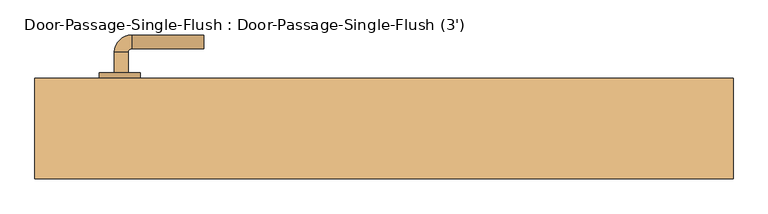
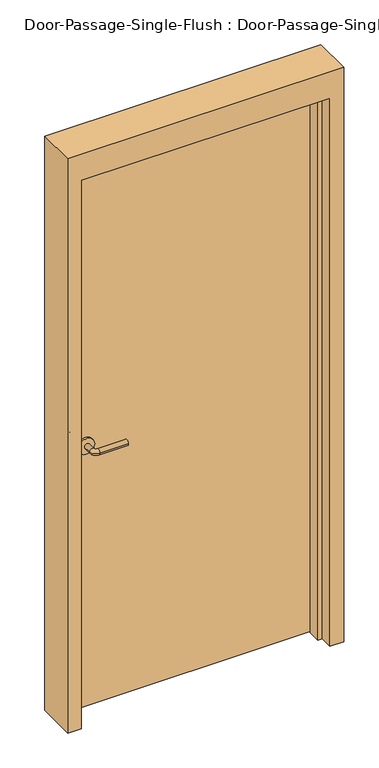
"""IFC4 building model written with IfcOpenShell, lengths in millimetres: door geometry, Door-Passage-Single-Flush : Door-Passage-Single-Flush (3')."""

from ifc_helpers import new_model, si_unit, point, frame, frame_2d, origin, origin_with_axes, place, context, project, spatial, polyline, circle_curve, ellipse_curve, trimmed, segment, composite_curve, outline, extrude, faceted_brep, source, transform, mapped, element, save
from ifc_brep_helpers import plane_surface, cylinder_surface, revolved_surface, advanced_brep


def door_passage_single_flush_door_passage_single_flush_3_4b82438d(model_context):
    return source(origin(), model_context, "Body", "SolidModel", [
        advanced_brep(
        [(-392.190625, -8.0, 1016.0), (-372.190625, -8.0, 1016.0), (-372.190625, -38.0, 1016.0), (-392.190625, -38.0, 1016.0), (-367.190625, -43.0, 1016.0), (-367.190625, -63.0, 1016.0), (-262.190625, -63.0, 1016.0), (-262.190625, -43.0, 1016.0)],
        [
            (0, 1, circle_curve(frame((-382.190625, -8.0, 1016.0), z_axis=(0.0, 1.0, 0.0), x_axis=(1.0, 0.0, 0.0)), 10.0)),
            (1, 0, circle_curve(frame((-382.190625, -8.0, 1016.0), z_axis=(0.0, 1.0, 0.0), x_axis=(1.0, 0.0, 0.0)), 10.0)),
            (1, 2),
            (2, 3, circle_curve(frame((-382.190625, -38.0, 1016.0), z_axis=(0.0, 1.0, 0.0), x_axis=(1.0, 0.0, 0.0)), 10.0)),
            (3, 0),
            (3, 2, circle_curve(frame((-382.190625, -38.0, 1016.0), z_axis=(0.0, 1.0, 0.0), x_axis=(1.0, 0.0, 0.0)), 10.0)),
            (4, 5, circle_curve(frame((-367.190625, -53.0, 1016.0), z_axis=(-1.0, 0.0, 0.0), x_axis=(0.0, 1.0, 0.0)), 10.0)),
            (5, 3, circle_curve(frame((-367.190625, -38.0, 1016.0), z_axis=(0.0, 0.0, -1.0), x_axis=(-1.0, 0.0, 0.0)), 25.0)),
            (2, 4, circle_curve(frame((-367.190625, -38.0, 1016.0), z_axis=(0.0, 0.0, 1.0), x_axis=(-1.0, 0.0, 0.0)), 5.0)),
            (5, 4, circle_curve(frame((-367.190625, -53.0, 1016.0), z_axis=(-1.0, 0.0, 0.0), x_axis=(0.0, 1.0, 0.0)), 10.0)),
            (6, 7, circle_curve(frame((-262.190625, -53.0, 1016.0), z_axis=(1.0, 0.0, 0.0), x_axis=(0.0, 1.0, 0.0)), 10.0)),
            (7, 6, circle_curve(frame((-262.190625, -53.0, 1016.0), z_axis=(1.0, 0.0, 0.0), x_axis=(0.0, 1.0, 0.0)), 10.0)),
            (4, 7),
            (6, 5),
        ],
        [
            plane_surface(frame((-382.190625, -8.0, 1016.0), z_axis=(0.0, 1.0, 0.0), x_axis=(0.0, 0.0, 1.0))),
            cylinder_surface(frame((-382.190625, -8.0, 1016.0), z_axis=(0.0, 1.0, 0.0), x_axis=(1.0, 0.0, 0.0)), 10.0),
            revolved_surface(trimmed(ellipse_curve(frame((-382.190625, -38.0, 1016.0), z_axis=(0.0, -1.0, 0.0), x_axis=(1.0, 0.0, 0.0)), 10.0, 10.0), [point((-392.190625, -38.0, 1016.0))], [point((-372.190625, -38.0, 1016.0))], True, "CARTESIAN"), (-367.190625, -38.0, 1016.0), (0.0, 0.0, -1.0)),
            revolved_surface(trimmed(ellipse_curve(frame((-382.190625, -38.0, 1016.0), z_axis=(0.0, -1.0, 0.0), x_axis=(1.0, 0.0, 0.0)), 10.0, 10.0), [point((-372.190625, -38.0, 1016.0))], [point((-392.190625, -38.0, 1016.0))], True, "CARTESIAN"), (-367.190625, -38.0, 1016.0), (0.0, 0.0, -1.0)),
            plane_surface(frame((-262.190625, -53.0, 1016.0), z_axis=(1.0, 0.0, 0.0), x_axis=(0.0, 0.0, 1.0))),
            cylinder_surface(frame((-367.190625, -53.0, 1016.0), z_axis=(-1.0, 0.0, 0.0), x_axis=(0.0, 1.0, 0.0)), 10.0),
        ],
        [
            (0, [[1, 2]]),
            (1, [[3, 4, 5, -2]]),
            (1, [[-5, 6, -3, -1]]),
            (2, [[7, 8, -4, 9]]),
            (3, [[10, -9, -6, -8]]),
            (4, [[11, 12]]),
            (5, [[13, -11, 14, -7]]),
            (5, [[-14, -12, -13, -10]]),
        ],
    ),
        extrude(outline(composite_curve([segment(trimmed(circle_curve(frame_2d((1016.0, -384.690625)), 30.0), [point((1016.0, -414.690625))], [point((1016.0, -354.690625))], False, "CARTESIAN"), True, "CONTINUOUS"), segment(trimmed(circle_curve(frame_2d((1016.0, -384.690625)), 30.0), [point((1016.0, -354.690625))], [point((1016.0, -414.690625))], False, "CARTESIAN"), True, "CONTINUOUS")], self_intersect=False)), frame((0.0, -8.0, 0.0), z_axis=(0.0, 1.0, 0.0), x_axis=(0.0, 0.0, 1.0)), (0.0, 0.0, 1.0), 8.0),
        advanced_brep(
        [(-392.190625, 52.45, 1016.0), (-372.190625, 52.45, 1016.0), (-392.190625, 82.45, 1016.0), (-372.190625, 82.45, 1016.0), (-367.190625, 87.45, 1016.0), (-367.190625, 107.45, 1016.0), (-262.190625, 107.45, 1016.0), (-262.190625, 87.45, 1016.0)],
        [
            (0, 1, circle_curve(frame((-382.190625, 52.45, 1016.0), z_axis=(0.0, -1.0, 0.0), x_axis=(1.0, 0.0, 0.0)), 10.0)),
            (1, 0, circle_curve(frame((-382.190625, 52.45, 1016.0), z_axis=(0.0, -1.0, 0.0), x_axis=(1.0, 0.0, 0.0)), 10.0)),
            (0, 2),
            (2, 3, circle_curve(frame((-382.190625, 82.45, 1016.0), z_axis=(0.0, -1.0, 0.0), x_axis=(1.0, 0.0, 0.0)), 10.0)),
            (3, 1),
            (3, 2, circle_curve(frame((-382.190625, 82.45, 1016.0), z_axis=(0.0, -1.0, 0.0), x_axis=(1.0, 0.0, 0.0)), 10.0)),
            (4, 3, circle_curve(frame((-367.190625, 82.45, 1016.0), z_axis=(0.0, 0.0, 1.0), x_axis=(-1.0, 0.0, 0.0)), 5.0)),
            (2, 5, circle_curve(frame((-367.190625, 82.45, 1016.0), z_axis=(0.0, 0.0, -1.0), x_axis=(-1.0, 0.0, 0.0)), 25.0)),
            (5, 4, circle_curve(frame((-367.190625, 97.45, 1016.0), z_axis=(-1.0, 0.0, 0.0), x_axis=(0.0, -1.0, 0.0)), 10.0)),
            (4, 5, circle_curve(frame((-367.190625, 97.45, 1016.0), z_axis=(-1.0, 0.0, 0.0), x_axis=(0.0, -1.0, 0.0)), 10.0)),
            (6, 7, circle_curve(frame((-262.190625, 97.45, 1016.0), z_axis=(1.0, 0.0, 0.0), x_axis=(0.0, -1.0, 0.0)), 10.0)),
            (7, 6, circle_curve(frame((-262.190625, 97.45, 1016.0), z_axis=(1.0, 0.0, 0.0), x_axis=(0.0, -1.0, 0.0)), 10.0)),
            (5, 6),
            (7, 4),
        ],
        [
            plane_surface(frame((-382.190625, 52.45, 1016.0), z_axis=(0.0, -1.0, 0.0), x_axis=(0.0, 0.0, 1.0))),
            cylinder_surface(frame((-382.190625, 52.45, 1016.0), z_axis=(0.0, -1.0, 0.0), x_axis=(1.0, 0.0, 0.0)), 10.0),
            revolved_surface(trimmed(ellipse_curve(frame((-382.190625, 82.45, 1016.0), z_axis=(0.0, -1.0, 0.0), x_axis=(1.0, 0.0, 0.0)), 10.0, 10.0), [point((-392.190625, 82.45, 1016.0))], [point((-372.190625, 82.45, 1016.0))], True, "CARTESIAN"), (-367.190625, 82.45, 1016.0), (0.0, 0.0, -1.0)),
            revolved_surface(trimmed(ellipse_curve(frame((-382.190625, 82.45, 1016.0), z_axis=(0.0, -1.0, 0.0), x_axis=(1.0, 0.0, 0.0)), 10.0, 10.0), [point((-372.190625, 82.45, 1016.0))], [point((-392.190625, 82.45, 1016.0))], True, "CARTESIAN"), (-367.190625, 82.45, 1016.0), (0.0, 0.0, -1.0)),
            plane_surface(frame((-262.190625, 97.45, 1016.0), z_axis=(1.0, 0.0, 0.0), x_axis=(0.0, 0.0, 1.0))),
            cylinder_surface(frame((-367.190625, 97.45, 1016.0), z_axis=(-1.0, 0.0, 0.0), x_axis=(0.0, -1.0, 0.0)), 10.0),
        ],
        [
            (0, [[1, 2]]),
            (1, [[-1, 3, 4, 5]]),
            (1, [[-2, -5, 6, -3]]),
            (2, [[7, -4, 8, 9]]),
            (3, [[-8, -6, -7, 10]]),
            (4, [[11, 12]]),
            (5, [[-9, 13, -12, 14]]),
            (5, [[-10, -14, -11, -13]]),
        ],
    ),
        extrude(outline(composite_curve([segment(trimmed(circle_curve(frame_2d((1016.0, -384.690625)), 30.0), [point((1016.0, -414.690625))], [point((1016.0, -354.690625))], False, "CARTESIAN"), True, "CONTINUOUS"), segment(trimmed(circle_curve(frame_2d((1016.0, -384.690625)), 30.0), [point((1016.0, -354.690625))], [point((1016.0, -414.690625))], False, "CARTESIAN"), True, "CONTINUOUS")], self_intersect=False)), frame((0.0, 44.45, 0.0), z_axis=(0.0, 1.0, 0.0), x_axis=(0.0, 0.0, 1.0)), (0.0, 0.0, 1.0), 8.0),
        faceted_brep([(457.2, -4.7625, 0.0), (457.2, 44.45, 0.0), (508.0, 44.45, 0.0), (508.0, -101.6, 0.0), (457.2, -101.6, 0.0), (457.2, -52.3875, 0.0), (441.325, -52.3875, 0.0), (441.325, -4.7625, 0.0), (457.2, -4.7625, 2133.6), (457.2, 44.45, 2133.6), (-457.2, 44.45, 2133.6), (-457.2, 44.45, 0.0), (-508.0, 44.45, 0.0), (-508.0, 44.45, 2235.2), (508.0, 44.45, 2235.2), (508.0, -101.6, 2235.2), (-508.0, -101.6, 2235.2), (-508.0, -101.6, 0.0), (-457.2, -101.6, 0.0), (-457.2, -101.6, 2133.6), (457.2, -101.6, 2133.6), (457.2, -52.3875, 2133.6), (-457.2, -52.3875, 2133.6), (-457.2, -52.3875, 0.0), (-441.325, -52.3875, 0.0), (-441.325, -52.3875, 2117.725), (441.325, -52.3875, 2117.725), (441.325, -4.7625, 2117.725), (-441.325, -4.7625, 2117.725), (-441.325, -4.7625, 0.0), (-457.2, -4.7625, 0.0), (-457.2, -4.7625, 2133.6)], [[[0, 1, 2, 3, 4, 5, 6, 7]], [[1, 0, 8, 9]], [[2, 1, 9, 10, 11, 12, 13, 14]], [[3, 2, 14, 15]], [[4, 3, 15, 16, 17, 18, 19, 20]], [[5, 4, 20, 21]], [[6, 5, 21, 22, 23, 24, 25, 26]], [[7, 6, 26, 27]], [[0, 7, 27, 28, 29, 30, 31, 8]], [[9, 8, 31, 10]], [[20, 19, 22, 21]], [[26, 25, 28, 27]], [[12, 11, 30, 29, 24, 23, 18, 17]], [[11, 10, 31, 30]], [[13, 12, 17, 16]], [[19, 18, 23, 22]], [[25, 24, 29, 28]], [[15, 14, 13, 16]]]),
        extrude(outline(polyline([(457.2, 0.0), (-457.2, 0.0), (-457.2, 44.45), (457.2, 44.45), (457.2, 0.0)])), origin_with_axes(), (0.0, 0.0, 1.0), 2133.6),
    ])


if __name__ == "__main__":
    model = new_model("IFC4")
    model_context = context("Model", 3, world=origin())
    ifc_project = project(units=[si_unit("LENGTHUNIT", "METRE", prefix="MILLI")], contexts=[model_context])
    site = spatial("IfcSite", under=ifc_project)
    building = spatial("IfcBuilding", under=site)
    placement = place(None, origin())
    door_passage_single_flush_door_passage_single_flush_3_shape = door_passage_single_flush_door_passage_single_flush_3_4b82438d(model_context)
    element("IfcDoor", 1, ObjectType="Door-Passage-Single-Flush : Door-Passage-Single-Flush (3')", at=placement, inside=building, context=model_context, shape_type="MappedRepresentation", body=[
        mapped(door_passage_single_flush_door_passage_single_flush_3_shape, transform((0.0, 0.0, 0.0), x_axis=(1.0, 0.0, 0.0), y_axis=(0.0, 1.0, 0.0), z_axis=(0.0, 0.0, 1.0))),
    ])
    save(model, "model.ifc")
